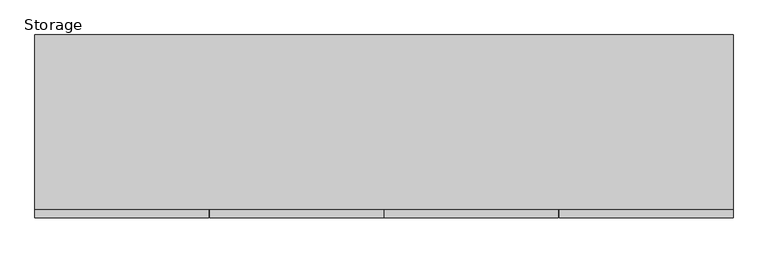
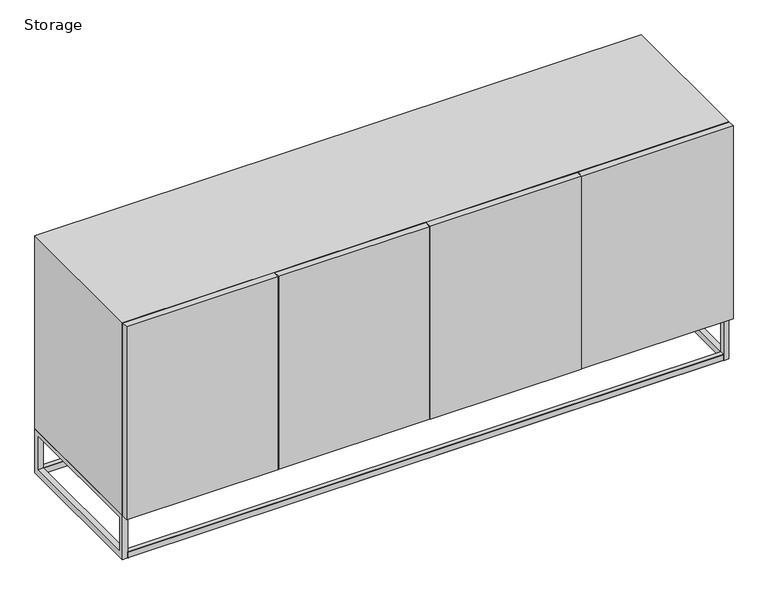
"""IFC4 building model written with IfcOpenShell, lengths in millimetres: furniture geometry, Storage."""

import ifcopenshell
import ifcopenshell.guid

model = None  # the IFC model being written
_history = None  # IfcOwnerHistory: only IFC2X3 demands one
_inside = {}  # id of a spatial element -> (the spatial element, [elements in it])
_under = {}  # id of a project, library or spatial element -> (it, [spatial elements below it])
_declared = {}  # id of a project -> (the project, [libraries it declares])
_typed = {}  # id of a type object -> (the type object, [elements of that type])
_made_of = {}  # id of a material, layer set ... -> (it, [elements and type objects made of it])


def new_model(schema):
    """Start an empty IFC model of exactly this schema.

    Asked for "IFC4X3", IfcOpenShell would pick the latest addendum, in which some entities
    have other attributes; the version numbers below select the first issue.
    IFC2X3 requires an IfcOwnerHistory on every rooted entity: one is made here for all.
    """
    global model, _history
    if schema == "IFC4X3":
        model = ifcopenshell.file(schema_version=(4, 3, 0, 0))
    else:
        model = ifcopenshell.file(schema=schema)
    _inside.clear()
    _under.clear()
    _declared.clear()
    _typed.clear()
    _made_of.clear()
    _history = None
    if model.schema == "IFC2X3":
        org = make("IfcOrganization", Name="unknown")
        user = make(
            "IfcPersonAndOrganization",
            ThePerson=make("IfcPerson", FamilyName="unknown"),
            TheOrganization=org,
        )
        app = make(
            "IfcApplication",
            ApplicationDeveloper=org,
            Version="unknown",
            ApplicationFullName="unknown",
            ApplicationIdentifier="unknown",
        )
        _history = make(
            "IfcOwnerHistory",
            OwningUser=user,
            OwningApplication=app,
            ChangeAction="ADDED",
            CreationDate=0,
        )
    return model


def make(cls, **values):
    """One entity of the class cls with the attributes given. An attribute that is None is left unset."""
    return model.create_entity(
        cls, **{name: value for name, value in values.items() if value is not None}
    )


def rooted(cls, **values):
    """An entity with a GlobalId (a new one), such as an element, a storey or a relation."""
    return make(cls, GlobalId=ifcopenshell.guid.new(), OwnerHistory=_history, **values)


def si_unit(unit_type, name, prefix=None):
    """IfcSIUnit, for example si_unit("LENGTHUNIT", "METRE", prefix="MILLI")."""
    return make("IfcSIUnit", UnitType=unit_type, Prefix=prefix, Name=name)


def assignment(units):
    """IfcUnitAssignment: the units of a project."""
    return None if units is None else make("IfcUnitAssignment", Units=units)


def point(xyz):
    """IfcCartesianPoint."""
    return None if xyz is None else make("IfcCartesianPoint", Coordinates=xyz)


def direction(xyz):
    """IfcDirection."""
    return None if xyz is None else make("IfcDirection", DirectionRatios=xyz)


def frame(location, z_axis=None, x_axis=None):
    """IfcAxis2Placement3D, a coordinate frame: its origin and axes. An axis left out is left unset."""
    return make(
        "IfcAxis2Placement3D",
        Location=point(location),
        Axis=direction(z_axis),
        RefDirection=direction(x_axis),
    )


def origin():
    """The frame at (0, 0, 0) with its axes left unset."""
    return frame((0.0, 0.0, 0.0))


def place(relative_to, where):
    """IfcLocalPlacement: puts the frame where relative to a parent placement (None: the world)."""
    return make(
        "IfcLocalPlacement", PlacementRelTo=relative_to, RelativePlacement=where
    )


def context(
    kind, dimensions, precision=None, world=None, true_north=None, identifier=None
):
    """IfcGeometricRepresentationContext, for example the 3D "Model" context."""
    return make(
        "IfcGeometricRepresentationContext",
        ContextIdentifier=identifier,
        ContextType=kind,
        CoordinateSpaceDimension=dimensions,
        Precision=precision,
        WorldCoordinateSystem=world,
        TrueNorth=true_north,
    )


def project(units=None, contexts=None):
    """IfcProject with its units and contexts."""
    return rooted(
        "IfcProject",
        Name="project",
        RepresentationContexts=contexts,
        UnitsInContext=assignment(units),
    )


def spatial(cls, under=None, at=None, **own):
    """A site, building, storey or space (cls), placed at a placement, below another one or the project."""
    s = rooted(cls, ObjectPlacement=at, **own)
    if under is not None:
        _under.setdefault(under.id(), (under, []))[1].append(s)
    return s


def polyline(points):
    """IfcPolyline through the points."""
    return make("IfcPolyline", Points=[point(p) for p in points])


def outline(outer, holes=None, kind="AREA"):
    """IfcArbitraryClosedProfileDef: a profile drawn as a closed curve; with holes, ...WithVoids."""
    if holes is None:
        return make("IfcArbitraryClosedProfileDef", ProfileType=kind, OuterCurve=outer)
    return make(
        "IfcArbitraryProfileDefWithVoids",
        ProfileType=kind,
        OuterCurve=outer,
        InnerCurves=holes,
    )


def extrude(swept, where, along, depth):
    """IfcExtrudedAreaSolid: the profile swept, set in the frame where, extruded along a direction by depth."""
    return make(
        "IfcExtrudedAreaSolid",
        SweptArea=swept,
        Position=where,
        ExtrudedDirection=direction(along),
        Depth=depth,
    )


def shape(context_of_items, identifier, shape_type, items):
    """IfcShapeRepresentation: the items that make up one representation, for example the "Body"."""
    return make(
        "IfcShapeRepresentation",
        ContextOfItems=context_of_items,
        RepresentationIdentifier=identifier,
        RepresentationType=shape_type,
        Items=items,
    )


def source(mapping_origin, context_of_items, identifier, shape_type, items):
    """IfcRepresentationMap: a shape defined once, which mapped items show again and again."""
    return make(
        "IfcRepresentationMap",
        MappingOrigin=mapping_origin,
        MappedRepresentation=shape(context_of_items, identifier, shape_type, items),
    )


def transform(
    local_origin,
    x_axis=None,
    y_axis=None,
    z_axis=None,
    scale=None,
    scale2=None,
    scale3=None,
    uniform=True,
):
    """IfcCartesianTransformationOperator3D, or its non-uniform kind. x_axis, y_axis, z_axis: its Axis1, 2, 3."""
    if uniform:
        return make(
            "IfcCartesianTransformationOperator3D",
            Axis1=direction(x_axis),
            Axis2=direction(y_axis),
            LocalOrigin=point(local_origin),
            Scale=scale,
            Axis3=direction(z_axis),
        )
    return make(
        "IfcCartesianTransformationOperator3DnonUniform",
        Axis1=direction(x_axis),
        Axis2=direction(y_axis),
        LocalOrigin=point(local_origin),
        Scale=scale,
        Axis3=direction(z_axis),
        Scale2=scale2,
        Scale3=scale3,
    )


def mapped(mapping_source, mapping_target):
    """IfcMappedItem: shows the shape of a source again, moved by a transform."""
    return make(
        "IfcMappedItem", MappingSource=mapping_source, MappingTarget=mapping_target
    )


def made_of(thing, what):
    """Note that an element or type object is made of a material, layer set ...; save() writes the relation."""
    if what is not None:
        _made_of.setdefault(what.id(), (what, []))[1].append(thing)
    return thing


def element(
    cls,
    number,
    at=None,
    inside=None,
    cuts=None,
    type_object=None,
    material=None,
    context=None,
    identifier="Body",
    shape_type=None,
    held_by="IfcProductDefinitionShape",
    body=None,
    shapes=None,
    **own,
):
    """One element of the class cls, such as IfcWall. Its Tag is "e" and its number.

    at: its placement. inside: the storey or other place that contains it. cuts: it is an
    opening in that element (IfcRelVoidsElement). A single representation is given by context,
    identifier, shape_type and body (its items); several are given by shapes. held_by: the class
    of the entity that holds the representations. save() writes the other relations.
    """
    e = rooted(cls, Tag="e%d" % number, ObjectPlacement=at, **own)
    if body is not None:
        shapes = [shape(context, identifier, shape_type, body)]
    if shapes is not None:
        e.Representation = make(held_by, Representations=shapes)
    if inside is not None:
        _inside.setdefault(inside.id(), (inside, []))[1].append(e)
    if cuts is not None:
        rooted(
            "IfcRelVoidsElement", RelatingBuildingElement=cuts, RelatedOpeningElement=e
        )
    if type_object is not None:
        _typed.setdefault(type_object.id(), (type_object, []))[1].append(e)
    return made_of(e, material)


def aggregate(whole, parts):
    """IfcRelAggregates: a whole, such as a stair, and the parts it consists of."""
    return rooted("IfcRelAggregates", RelatingObject=whole, RelatedObjects=parts)


def save(model, path):
    """Write the relations noted so far, then the file.

    IfcRelAggregates (storeys below a building ...), IfcRelContainedInSpatialStructure (elements
    in a storey), IfcRelDefinesByType, IfcRelAssociatesMaterial and IfcRelDeclares: one each for
    every whole, place, type object, material and project.
    """
    for whole, parts in _under.values():
        aggregate(whole, parts)
    for where, things in _inside.values():
        rooted(
            "IfcRelContainedInSpatialStructure",
            RelatedElements=things,
            RelatingStructure=where,
        )
    for kind, things in _typed.values():
        rooted("IfcRelDefinesByType", RelatedObjects=things, RelatingType=kind)
    for what, things in _made_of.values():
        rooted("IfcRelAssociatesMaterial", RelatedObjects=things, RelatingMaterial=what)
    for by, libraries in _declared.values():
        rooted("IfcRelDeclares", RelatingContext=by, RelatedDefinitions=libraries)
    model.write(path)


def storage_4cc5fc11(model_context):
    return source(origin(), model_context, "Body", "SweptSolid", [
        extrude(outline(polyline([(1828.8, -480.4480194), (1372.87, -480.4480194), (1372.87, -460.3780236), (1828.8, -460.3780236), (1828.8, -480.4480194)])), frame((0.0, 0.0, 140.97), z_axis=(0.0, 0.0, 1.0), x_axis=(1.0, 0.0, 0.0)), (0.0, 0.0, 1.0), 614.4676791),
        extrude(outline(polyline([(1370.33, -480.4480194), (915.67, -480.4480194), (915.67, -460.3780236), (1370.33, -460.3780236), (1370.33, -480.4480194)])), frame((0.0, 0.0, 140.97), z_axis=(0.0, 0.0, 1.0), x_axis=(1.0, 0.0, 0.0)), (0.0, 0.0, 1.0), 614.4676791),
        extrude(outline(polyline([(455.93, -480.4480194), (0.0, -480.4480194), (0.0, -460.3780236), (455.93, -460.3780236), (455.93, -480.4480194)])), frame((0.0, 0.0, 140.97), z_axis=(0.0, 0.0, 1.0), x_axis=(1.0, 0.0, 0.0)), (0.0, 0.0, 1.0), 614.4676791),
        extrude(outline(polyline([(913.13, -480.4480194), (458.47, -480.4480194), (458.47, -460.3780236), (913.13, -460.3780236), (913.13, -480.4480194)])), frame((0.0, 0.0, 140.97), z_axis=(0.0, 0.0, 1.0), x_axis=(1.0, 0.0, 0.0)), (0.0, 0.0, 1.0), 614.4676791),
        extrude(outline(polyline([(-1.778, 1.3619377), (-3.1399377, 0.0), (-16.3996092, 0.0), (-18.034, 1.7657197), (-18.034, 17.9909329), (-16.3996092, 19.6253237), (-3.1399377, 19.6253237), (-1.778, 18.263386), (-1.778, 1.3619377)])), frame((16.1568429, 0.0, 0.0), z_axis=(1.0, 0.0, 0.0), x_axis=(0.0, 1.0, 0.0)), (0.0, 0.0, 1.0), 1796.3871571),
        extrude(outline(polyline([(-458.978, 1.2971853), (-458.978, 18.3281384), (-457.6808147, 19.6253237), (-444.4211432, 19.6253237), (-442.7867523, 17.9909329), (-442.7867523, 1.7657197), (-444.4211432, 0.0), (-457.6808147, 0.0), (-458.978, 1.2971853)])), frame((16.1568429, 0.0, 0.0), z_axis=(1.0, 0.0, 0.0), x_axis=(0.0, 1.0, 0.0)), (0.0, 0.0, 1.0), 1796.3871571),
        extrude(outline(polyline([(1828.8, -1.778), (1828.8, -458.978), (0.0, -458.978), (0.0, -1.778), (1828.8, -1.778)])), frame((0.0, 0.0, 140.97), z_axis=(0.0, 0.0, 1.0), x_axis=(1.0, 0.0, 0.0)), (0.0, 0.0, 1.0), 614.4676791),
        extrude(outline(polyline([(1812.544, -18.034), (1812.544, -442.7867523), (16.1568429, -442.7867523), (16.1568429, -18.034), (1812.544, -18.034)])), frame((0.0, 0.0, 127.5025281), z_axis=(0.0, 0.0, 1.0), x_axis=(1.0, 0.0, 0.0)), (0.0, 0.0, 1.0), 16.0436973),
        extrude(outline(polyline([(1812.544, -18.034), (1812.544, -442.7867523), (16.1568429, -442.7867523), (16.1568429, -18.034), (1812.544, -18.034)])), frame((0.0, 0.0, 124.7959872), z_axis=(0.0, 0.0, 1.0), x_axis=(1.0, 0.0, 0.0)), (0.0, 0.0, 1.0), 16.1740128),
        extrude(outline(polyline([(-1.778, 0.0), (-458.978, 0.0), (-458.978, 140.97), (-1.778, 140.97), (-1.778, 0.0)]), holes=[polyline([(-442.7867523, 124.7959872), (-442.7867523, 19.6253237), (-18.034, 19.6253237), (-18.034, 124.7959872), (-442.7867523, 124.7959872)])]), frame((1812.544, 0.0, 0.0), z_axis=(1.0, 0.0, 0.0), x_axis=(0.0, 1.0, 0.0)), (0.0, 0.0, 1.0), 16.256),
        extrude(outline(polyline([(-1.778, 0.0), (-458.978, 0.0), (-458.978, 140.97), (-1.778, 140.97), (-1.778, 0.0)]), holes=[polyline([(-442.7867523, 124.7959872), (-442.7867523, 19.6253237), (-18.034, 19.6253237), (-18.034, 124.7959872), (-442.7867523, 124.7959872)])]), frame((0.0, 0.0, 0.0), z_axis=(1.0, 0.0, 0.0), x_axis=(0.0, 1.0, 0.0)), (0.0, 0.0, 1.0), 16.1568429),
        extrude(outline(polyline([(-1.778, 126.2882404), (-3.2702531, 124.7959872), (-16.2789862, 124.7959872), (-18.034, 126.6920224), (-18.034, 139.6069648), (-16.6709648, 140.97), (-2.9737057, 140.97), (-1.778, 139.7742943), (-1.778, 126.2882404)])), frame((16.1568429, 0.0, 0.0), z_axis=(1.0, 0.0, 0.0), x_axis=(0.0, 1.0, 0.0)), (0.0, 0.0, 1.0), 1796.3871571),
        extrude(outline(polyline([(-458.978, 126.2882404), (-458.978, 139.7742943), (-457.7822943, 140.97), (-444.2214367, 140.97), (-442.7867523, 139.6717172), (-442.7867523, 126.622067), (-444.6134154, 124.7959872), (-457.4857469, 124.7959872), (-458.978, 126.2882404)])), frame((16.1568429, 0.0, 0.0), z_axis=(1.0, 0.0, 0.0), x_axis=(0.0, 1.0, 0.0)), (0.0, 0.0, 1.0), 1796.3871571),
        extrude(outline(polyline([(-1.778, 128.8644658), (-3.1399377, 127.5025281), (-16.3996092, 127.5025281), (-18.034, 129.2682478), (-18.034, 142.1831902), (-16.6709648, 143.5462254), (-2.9737057, 143.5462254), (-1.778, 142.3505197), (-1.778, 128.8644658)])), frame((16.1568429, 0.0, 0.0), z_axis=(1.0, 0.0, 0.0), x_axis=(0.0, 1.0, 0.0)), (0.0, 0.0, 1.0), 1796.3871571),
        extrude(outline(polyline([(-458.978, 128.8644658), (-458.978, 142.3505197), (-457.7822943, 143.5462254), (-444.2214367, 143.5462254), (-442.7867523, 142.2479425), (-442.7867523, 129.1982924), (-444.4927924, 127.5025281), (-457.6160623, 127.5025281), (-458.978, 128.8644658)])), frame((16.1568429, 0.0, 0.0), z_axis=(1.0, 0.0, 0.0), x_axis=(0.0, 1.0, 0.0)), (0.0, 0.0, 1.0), 1796.3871571),
    ])


if __name__ == "__main__":
    model = new_model("IFC4")
    model_context = context("Model", 3, world=origin())
    ifc_project = project(units=[si_unit("LENGTHUNIT", "METRE", prefix="MILLI")], contexts=[model_context])
    site = spatial("IfcSite", under=ifc_project)
    building = spatial("IfcBuilding", under=site)
    placement = place(None, origin())
    storage_shape = storage_4cc5fc11(model_context)
    element("IfcFurniture", 1, ObjectType="Storage", at=placement, inside=building, context=model_context, shape_type="MappedRepresentation", body=[
        mapped(storage_shape, transform((0.0, 0.0, 0.0), x_axis=(1.0, 0.0, 0.0), y_axis=(0.0, 1.0, 0.0), z_axis=(0.0, 0.0, 1.0))),
    ])
    save(model, "model.ifc")
